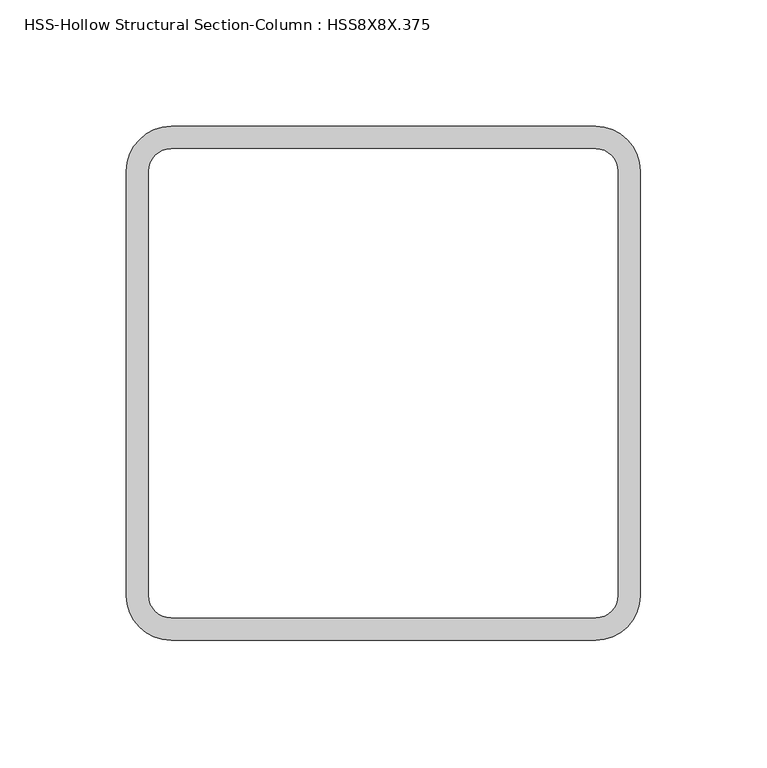
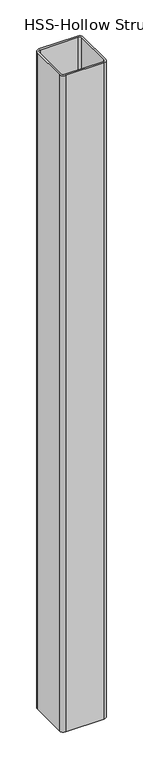
"""IFC4 building model written with IfcOpenShell, lengths in millimetres: column geometry, HSS-Hollow Structural Section-Column : HSS8X8X.375."""

from ifc_helpers import new_model, si_unit, point, frame_2d, origin, origin_with_axes, place, context, project, spatial, polyline, circle_curve, trimmed, segment, composite_curve, outline, extrude, source, transform, mapped, element, save


def hss_hollow_structural_section_column_hss8x8x_375_827dd992(model_context):
    return source(origin(), model_context, "Body", "SweptSolid", [
        extrude(outline(composite_curve([segment(trimmed(circle_curve(frame_2d((83.9390625, 83.9390625)), 17.6609375), [point((83.9390625, 101.6))], [point((101.6, 83.9390625))], False, "CARTESIAN"), True, "CONTINUOUS"), segment(polyline([(101.6, 83.9390625), (101.6, -83.9390625)]), True, "CONTINUOUS"), segment(trimmed(circle_curve(frame_2d((83.9390625, -83.9390625)), 17.6609375), [point((101.6, -83.9390625))], [point((83.9390625, -101.6))], False, "CARTESIAN"), True, "CONTINUOUS"), segment(polyline([(83.9390625, -101.6), (-83.9390625, -101.6)]), True, "CONTINUOUS"), segment(trimmed(circle_curve(frame_2d((-83.9390625, -83.9390625)), 17.6609375), [point((-83.9390625, -101.6))], [point((-101.6, -83.9390625))], False, "CARTESIAN"), True, "CONTINUOUS"), segment(polyline([(-101.6, -83.9390625), (-101.6, 83.9390625)]), True, "CONTINUOUS"), segment(trimmed(circle_curve(frame_2d((-83.9390625, 83.9390625)), 17.6609375), [point((-101.6, 83.9390625))], [point((-83.9390625, 101.6))], False, "CARTESIAN"), True, "CONTINUOUS"), segment(polyline([(-83.9390625, 101.6), (83.9390625, 101.6)]), True, "CONTINUOUS")], self_intersect=False), holes=[composite_curve([segment(polyline([(83.9390625, 92.7695313), (-83.9390625, 92.7695313)]), True, "CONTINUOUS"), segment(trimmed(circle_curve(frame_2d((-83.9390625, 83.9390625)), 8.8304688), [point((-83.9390625, 92.7695313))], [point((-92.7695313, 83.9390625))], True, "CARTESIAN"), True, "CONTINUOUS"), segment(polyline([(-92.7695313, 83.9390625), (-92.7695313, -83.9390625)]), True, "CONTINUOUS"), segment(trimmed(circle_curve(frame_2d((-83.9390625, -83.9390625)), 8.8304688), [point((-92.7695313, -83.9390625))], [point((-83.9390625, -92.7695312))], True, "CARTESIAN"), True, "CONTINUOUS"), segment(polyline([(-83.9390625, -92.7695312), (83.9390625, -92.7695312)]), True, "CONTINUOUS"), segment(trimmed(circle_curve(frame_2d((83.9390625, -83.9390625)), 8.8304687), [point((83.9390625, -92.7695312))], [point((92.7695312, -83.9390625))], True, "CARTESIAN"), True, "CONTINUOUS"), segment(polyline([(92.7695312, -83.9390625), (92.7695312, 83.9390625)]), True, "CONTINUOUS"), segment(trimmed(circle_curve(frame_2d((83.9390625, 83.9390625)), 8.8304687), [point((92.7695312, 83.9390625))], [point((83.9390625, 92.7695313))], True, "CARTESIAN"), True, "CONTINUOUS")], self_intersect=False)]), origin_with_axes(), (0.0, 0.0, 1.0), 3048.0),
    ])


if __name__ == "__main__":
    model = new_model("IFC4")
    model_context = context("Model", 3, world=origin())
    ifc_project = project(units=[si_unit("LENGTHUNIT", "METRE", prefix="MILLI")], contexts=[model_context])
    site = spatial("IfcSite", under=ifc_project)
    building = spatial("IfcBuilding", under=site)
    placement = place(None, origin())
    hss_hollow_structural_section_column_hss8x8x_375_shape = hss_hollow_structural_section_column_hss8x8x_375_827dd992(model_context)
    element("IfcColumn", 1, ObjectType="HSS-Hollow Structural Section-Column : HSS8X8X.375", at=placement, inside=building, context=model_context, shape_type="MappedRepresentation", body=[
        mapped(hss_hollow_structural_section_column_hss8x8x_375_shape, transform((0.0, 0.0, 0.0), x_axis=(1.0, 0.0, 0.0), y_axis=(0.0, 1.0, 0.0), z_axis=(0.0, 0.0, 1.0))),
    ])
    save(model, "model.ifc")
